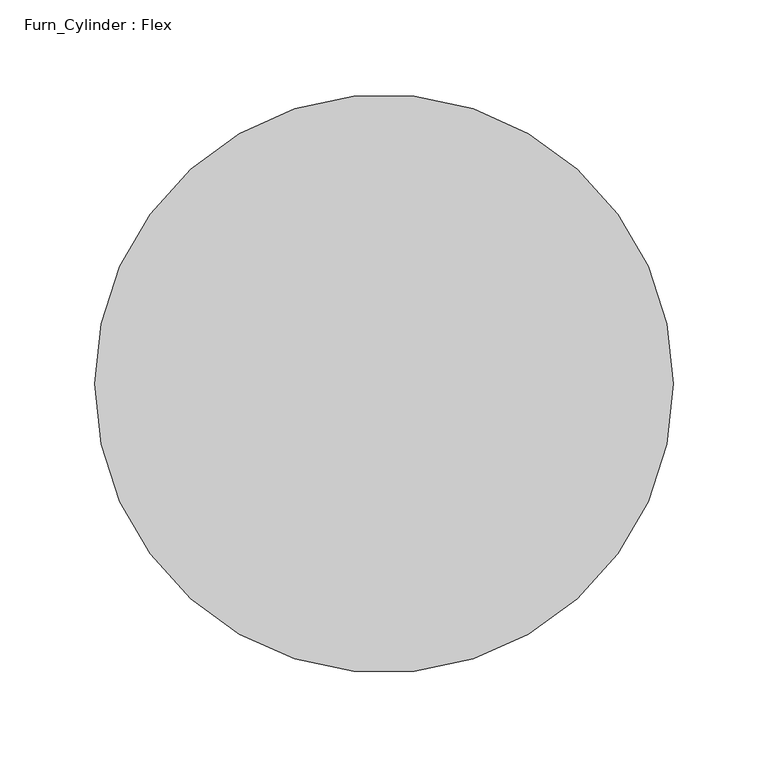
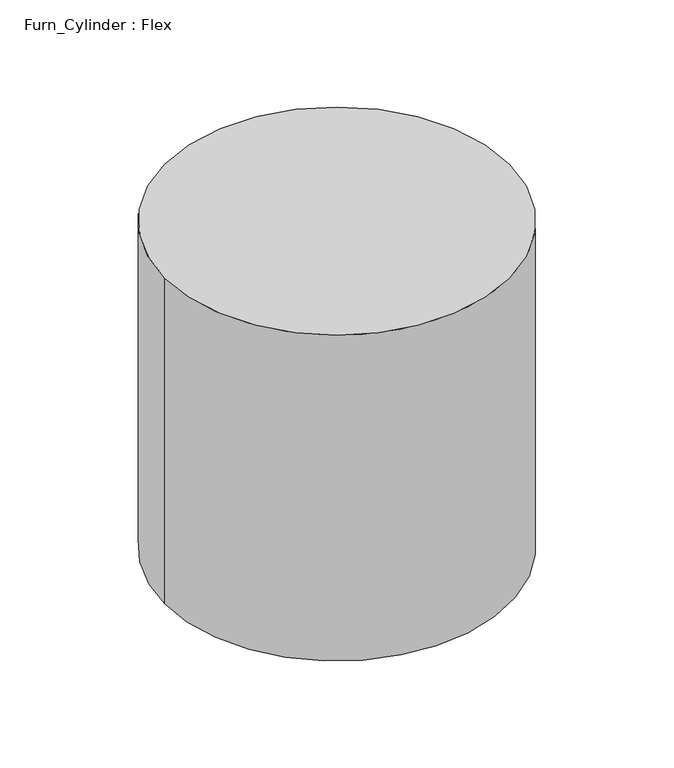
"""IFC4 building model written with IfcOpenShell, lengths in millimetres: furniture geometry, Furn_Cylinder : Flex."""

import ifcopenshell
import ifcopenshell.guid

model = None  # the IFC model being written
_history = None  # IfcOwnerHistory: only IFC2X3 demands one
_inside = {}  # id of a spatial element -> (the spatial element, [elements in it])
_under = {}  # id of a project, library or spatial element -> (it, [spatial elements below it])
_declared = {}  # id of a project -> (the project, [libraries it declares])
_typed = {}  # id of a type object -> (the type object, [elements of that type])
_made_of = {}  # id of a material, layer set ... -> (it, [elements and type objects made of it])


def new_model(schema):
    """Start an empty IFC model of exactly this schema.

    Asked for "IFC4X3", IfcOpenShell would pick the latest addendum, in which some entities
    have other attributes; the version numbers below select the first issue.
    IFC2X3 requires an IfcOwnerHistory on every rooted entity: one is made here for all.
    """
    global model, _history
    if schema == "IFC4X3":
        model = ifcopenshell.file(schema_version=(4, 3, 0, 0))
    else:
        model = ifcopenshell.file(schema=schema)
    _inside.clear()
    _under.clear()
    _declared.clear()
    _typed.clear()
    _made_of.clear()
    _history = None
    if model.schema == "IFC2X3":
        org = make("IfcOrganization", Name="unknown")
        user = make(
            "IfcPersonAndOrganization",
            ThePerson=make("IfcPerson", FamilyName="unknown"),
            TheOrganization=org,
        )
        app = make(
            "IfcApplication",
            ApplicationDeveloper=org,
            Version="unknown",
            ApplicationFullName="unknown",
            ApplicationIdentifier="unknown",
        )
        _history = make(
            "IfcOwnerHistory",
            OwningUser=user,
            OwningApplication=app,
            ChangeAction="ADDED",
            CreationDate=0,
        )
    return model


def make(cls, **values):
    """One entity of the class cls with the attributes given. An attribute that is None is left unset."""
    return model.create_entity(
        cls, **{name: value for name, value in values.items() if value is not None}
    )


def rooted(cls, **values):
    """An entity with a GlobalId (a new one), such as an element, a storey or a relation."""
    return make(cls, GlobalId=ifcopenshell.guid.new(), OwnerHistory=_history, **values)


def si_unit(unit_type, name, prefix=None):
    """IfcSIUnit, for example si_unit("LENGTHUNIT", "METRE", prefix="MILLI")."""
    return make("IfcSIUnit", UnitType=unit_type, Prefix=prefix, Name=name)


def assignment(units):
    """IfcUnitAssignment: the units of a project."""
    return None if units is None else make("IfcUnitAssignment", Units=units)


def point(xyz):
    """IfcCartesianPoint."""
    return None if xyz is None else make("IfcCartesianPoint", Coordinates=xyz)


def direction(xyz):
    """IfcDirection."""
    return None if xyz is None else make("IfcDirection", DirectionRatios=xyz)


def frame(location, z_axis=None, x_axis=None):
    """IfcAxis2Placement3D, a coordinate frame: its origin and axes. An axis left out is left unset."""
    return make(
        "IfcAxis2Placement3D",
        Location=point(location),
        Axis=direction(z_axis),
        RefDirection=direction(x_axis),
    )


def frame_2d(location, x_axis=None):
    """IfcAxis2Placement2D, a coordinate frame in the plane: its origin and x axis."""
    return make(
        "IfcAxis2Placement2D", Location=point(location), RefDirection=direction(x_axis)
    )


def origin():
    """The frame at (0, 0, 0) with its axes left unset."""
    return frame((0.0, 0.0, 0.0))


def origin_with_axes():
    """The frame at (0, 0, 0) with the z axis (0, 0, 1) and the x axis (1, 0, 0) written out."""
    return frame((0.0, 0.0, 0.0), z_axis=(0.0, 0.0, 1.0), x_axis=(1.0, 0.0, 0.0))


def origin_2d():
    """The frame at (0, 0) in the plane with its x axis left unset."""
    return frame_2d((0.0, 0.0))


def place(relative_to, where):
    """IfcLocalPlacement: puts the frame where relative to a parent placement (None: the world)."""
    return make(
        "IfcLocalPlacement", PlacementRelTo=relative_to, RelativePlacement=where
    )


def context(
    kind, dimensions, precision=None, world=None, true_north=None, identifier=None
):
    """IfcGeometricRepresentationContext, for example the 3D "Model" context."""
    return make(
        "IfcGeometricRepresentationContext",
        ContextIdentifier=identifier,
        ContextType=kind,
        CoordinateSpaceDimension=dimensions,
        Precision=precision,
        WorldCoordinateSystem=world,
        TrueNorth=true_north,
    )


def project(units=None, contexts=None):
    """IfcProject with its units and contexts."""
    return rooted(
        "IfcProject",
        Name="project",
        RepresentationContexts=contexts,
        UnitsInContext=assignment(units),
    )


def spatial(cls, under=None, at=None, **own):
    """A site, building, storey or space (cls), placed at a placement, below another one or the project."""
    s = rooted(cls, ObjectPlacement=at, **own)
    if under is not None:
        _under.setdefault(under.id(), (under, []))[1].append(s)
    return s


def circle_curve(where, radius):
    """IfcCircle in the frame where."""
    return make("IfcCircle", Position=where, Radius=radius)


def trimmed(basis, trim1, trim2, sense, master):
    """IfcTrimmedCurve: the piece of a basis curve between two trims."""
    return make(
        "IfcTrimmedCurve",
        BasisCurve=basis,
        Trim1=trim1,
        Trim2=trim2,
        SenseAgreement=sense,
        MasterRepresentation=master,
    )


def segment(curve, same_sense, transition):
    """IfcCompositeCurveSegment."""
    return make(
        "IfcCompositeCurveSegment",
        Transition=transition,
        SameSense=same_sense,
        ParentCurve=curve,
    )


def composite_curve(segments, self_intersect=None):
    """IfcCompositeCurve: segments joined end to end."""
    return make("IfcCompositeCurve", Segments=segments, SelfIntersect=self_intersect)


def outline(outer, holes=None, kind="AREA"):
    """IfcArbitraryClosedProfileDef: a profile drawn as a closed curve; with holes, ...WithVoids."""
    if holes is None:
        return make("IfcArbitraryClosedProfileDef", ProfileType=kind, OuterCurve=outer)
    return make(
        "IfcArbitraryProfileDefWithVoids",
        ProfileType=kind,
        OuterCurve=outer,
        InnerCurves=holes,
    )


def extrude(swept, where, along, depth):
    """IfcExtrudedAreaSolid: the profile swept, set in the frame where, extruded along a direction by depth."""
    return make(
        "IfcExtrudedAreaSolid",
        SweptArea=swept,
        Position=where,
        ExtrudedDirection=direction(along),
        Depth=depth,
    )


def shape(context_of_items, identifier, shape_type, items):
    """IfcShapeRepresentation: the items that make up one representation, for example the "Body"."""
    return make(
        "IfcShapeRepresentation",
        ContextOfItems=context_of_items,
        RepresentationIdentifier=identifier,
        RepresentationType=shape_type,
        Items=items,
    )


def source(mapping_origin, context_of_items, identifier, shape_type, items):
    """IfcRepresentationMap: a shape defined once, which mapped items show again and again."""
    return make(
        "IfcRepresentationMap",
        MappingOrigin=mapping_origin,
        MappedRepresentation=shape(context_of_items, identifier, shape_type, items),
    )


def transform(
    local_origin,
    x_axis=None,
    y_axis=None,
    z_axis=None,
    scale=None,
    scale2=None,
    scale3=None,
    uniform=True,
):
    """IfcCartesianTransformationOperator3D, or its non-uniform kind. x_axis, y_axis, z_axis: its Axis1, 2, 3."""
    if uniform:
        return make(
            "IfcCartesianTransformationOperator3D",
            Axis1=direction(x_axis),
            Axis2=direction(y_axis),
            LocalOrigin=point(local_origin),
            Scale=scale,
            Axis3=direction(z_axis),
        )
    return make(
        "IfcCartesianTransformationOperator3DnonUniform",
        Axis1=direction(x_axis),
        Axis2=direction(y_axis),
        LocalOrigin=point(local_origin),
        Scale=scale,
        Axis3=direction(z_axis),
        Scale2=scale2,
        Scale3=scale3,
    )


def mapped(mapping_source, mapping_target):
    """IfcMappedItem: shows the shape of a source again, moved by a transform."""
    return make(
        "IfcMappedItem", MappingSource=mapping_source, MappingTarget=mapping_target
    )


def made_of(thing, what):
    """Note that an element or type object is made of a material, layer set ...; save() writes the relation."""
    if what is not None:
        _made_of.setdefault(what.id(), (what, []))[1].append(thing)
    return thing


def element(
    cls,
    number,
    at=None,
    inside=None,
    cuts=None,
    type_object=None,
    material=None,
    context=None,
    identifier="Body",
    shape_type=None,
    held_by="IfcProductDefinitionShape",
    body=None,
    shapes=None,
    **own,
):
    """One element of the class cls, such as IfcWall. Its Tag is "e" and its number.

    at: its placement. inside: the storey or other place that contains it. cuts: it is an
    opening in that element (IfcRelVoidsElement). A single representation is given by context,
    identifier, shape_type and body (its items); several are given by shapes. held_by: the class
    of the entity that holds the representations. save() writes the other relations.
    """
    e = rooted(cls, Tag="e%d" % number, ObjectPlacement=at, **own)
    if body is not None:
        shapes = [shape(context, identifier, shape_type, body)]
    if shapes is not None:
        e.Representation = make(held_by, Representations=shapes)
    if inside is not None:
        _inside.setdefault(inside.id(), (inside, []))[1].append(e)
    if cuts is not None:
        rooted(
            "IfcRelVoidsElement", RelatingBuildingElement=cuts, RelatedOpeningElement=e
        )
    if type_object is not None:
        _typed.setdefault(type_object.id(), (type_object, []))[1].append(e)
    return made_of(e, material)


def aggregate(whole, parts):
    """IfcRelAggregates: a whole, such as a stair, and the parts it consists of."""
    return rooted("IfcRelAggregates", RelatingObject=whole, RelatedObjects=parts)


def save(model, path):
    """Write the relations noted so far, then the file.

    IfcRelAggregates (storeys below a building ...), IfcRelContainedInSpatialStructure (elements
    in a storey), IfcRelDefinesByType, IfcRelAssociatesMaterial and IfcRelDeclares: one each for
    every whole, place, type object, material and project.
    """
    for whole, parts in _under.values():
        aggregate(whole, parts)
    for where, things in _inside.values():
        rooted(
            "IfcRelContainedInSpatialStructure",
            RelatedElements=things,
            RelatingStructure=where,
        )
    for kind, things in _typed.values():
        rooted("IfcRelDefinesByType", RelatedObjects=things, RelatingType=kind)
    for what, things in _made_of.values():
        rooted("IfcRelAssociatesMaterial", RelatedObjects=things, RelatingMaterial=what)
    for by, libraries in _declared.values():
        rooted("IfcRelDeclares", RelatingContext=by, RelatedDefinitions=libraries)
    model.write(path)


def furn_cylinder_flex_dfa584e1(model_context):
    return source(origin(), model_context, "Body", "SweptSolid", [
        extrude(outline(composite_curve([segment(trimmed(circle_curve(origin_2d(), 152.4), [point((-152.4, 0.0))], [point((152.4, 0.0))], False, "CARTESIAN"), True, "CONTINUOUS"), segment(trimmed(circle_curve(origin_2d(), 152.4), [point((152.4, 0.0))], [point((-152.4, 0.0))], False, "CARTESIAN"), True, "CONTINUOUS")], self_intersect=False)), origin_with_axes(), (0.0, 0.0, 1.0), 304.8),
    ])


if __name__ == "__main__":
    model = new_model("IFC4")
    model_context = context("Model", 3, world=origin())
    ifc_project = project(units=[si_unit("LENGTHUNIT", "METRE", prefix="MILLI")], contexts=[model_context])
    site = spatial("IfcSite", under=ifc_project)
    building = spatial("IfcBuilding", under=site)
    placement = place(None, origin())
    furn_cylinder_flex_shape = furn_cylinder_flex_dfa584e1(model_context)
    element("IfcFurniture", 1, ObjectType="Furn_Cylinder : Flex", at=placement, inside=building, context=model_context, shape_type="MappedRepresentation", body=[
        mapped(furn_cylinder_flex_shape, transform((0.0, 0.0, 0.0), x_axis=(1.0, 0.0, 0.0), y_axis=(0.0, 1.0, 0.0), z_axis=(0.0, 0.0, 1.0))),
    ])
    save(model, "model.ifc")
